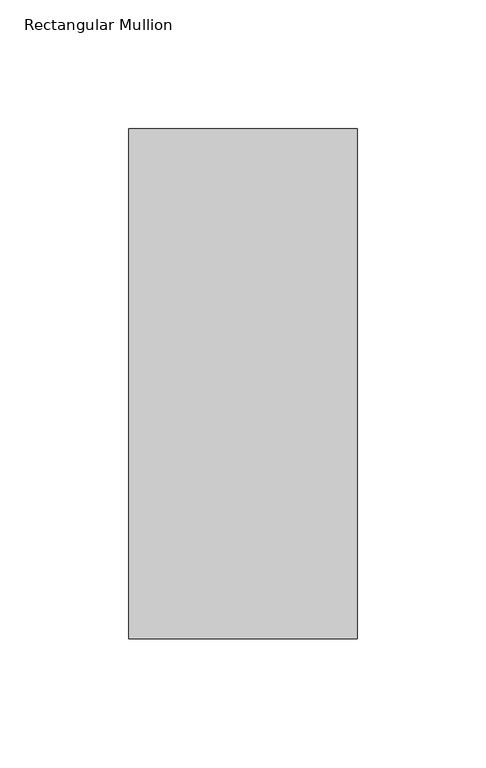
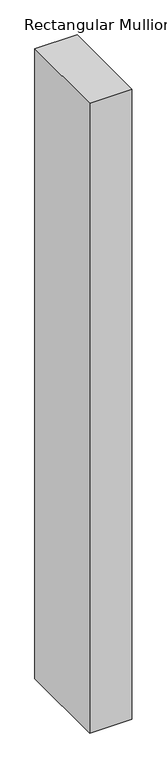
"""IFC4 building model written with IfcOpenShell, lengths in millimetres: member geometry, Rectangular Mullion."""

from ifc_helpers import new_model, si_unit, frame, origin, place, context, project, spatial, polyline, outline, extrude, source, transform, mapped, element, save


def rectangular_mullion_3bba7b64(model_context):
    return source(origin(), model_context, "Body", "SweptSolid", [
        extrude(outline(polyline([(-88.9, 42.06875), (0.0, 42.06875), (0.0, -156.36875), (-88.9, -156.36875), (-88.9, 42.06875)])), frame((0.0, 0.0, -1397.0), z_axis=(0.0, 0.0, 1.0), x_axis=(1.0, 0.0, 0.0)), (0.0, 0.0, 1.0), 1397.0),
    ])


if __name__ == "__main__":
    model = new_model("IFC4")
    model_context = context("Model", 3, world=origin())
    ifc_project = project(units=[si_unit("LENGTHUNIT", "METRE", prefix="MILLI")], contexts=[model_context])
    site = spatial("IfcSite", under=ifc_project)
    building = spatial("IfcBuilding", under=site)
    placement = place(None, origin())
    rectangular_mullion_shape = rectangular_mullion_3bba7b64(model_context)
    element("IfcMember", 1, ObjectType="Rectangular Mullion", at=placement, inside=building, context=model_context, shape_type="MappedRepresentation", body=[
        mapped(rectangular_mullion_shape, transform((0.0, 0.0, 0.0), x_axis=(1.0, 0.0, 0.0), y_axis=(0.0, 1.0, 0.0), z_axis=(0.0, 0.0, 1.0))),
    ])
    save(model, "model.ifc")
